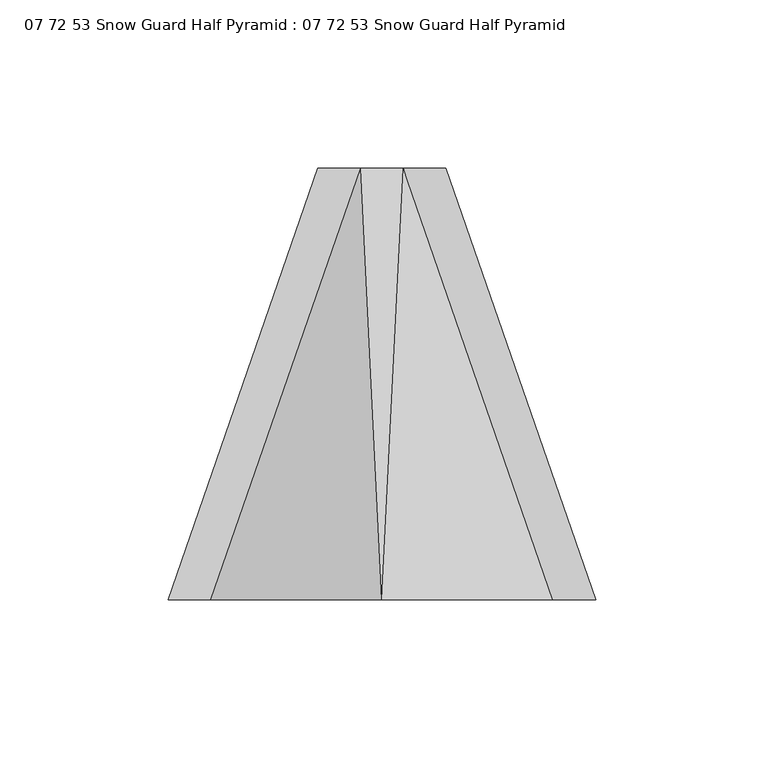
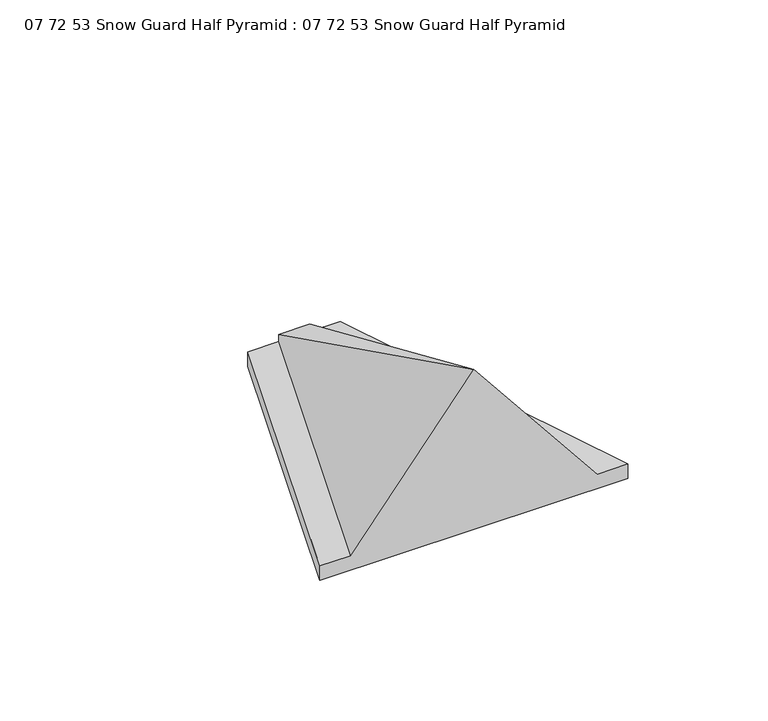
"""IFC4 building model written with IfcOpenShell, lengths in millimetres: proxy geometry, 07 72 53 Snow Guard Half Pyramid : 07 72 53 Snow Guard Half Pyramid."""

from ifc_helpers import new_model, si_unit, frame, origin, place, context, project, spatial, source, transform, mapped, element, save
from ifc_brep_helpers import plane_surface, spline_surface, advanced_brep


def proxy_07_72_53_snow_guard_half_pyramid_07_72_53_snow_guard_005cbcce(model_context):
    return source(origin(), model_context, "Body", "AdvancedBrep", [
        advanced_brep(
        [(-19.05, 128.2397625, 0.0), (-19.05, 128.2397625, 6.35), (-6.35, 128.2397625, 6.35), (-6.35, 128.2397625, 9.525), (6.35, 128.2397625, 9.525), (6.35, 128.2397625, 6.35), (19.05, 128.2397625, 6.35), (19.05, 128.2397625, 0.0), (-63.5, 0.0, 0.0), (63.5, 0.0, 0.0), (63.5, 0.0, 6.35), (50.8, 0.0, 6.35), (0.0, 0.0, 69.85), (-50.8, 0.0, 6.35), (-63.5, 0.0, 6.35)],
        [
            (0, 1),
            (1, 2),
            (2, 3),
            (3, 4),
            (4, 5),
            (5, 6),
            (6, 7),
            (7, 0),
            (8, 9),
            (9, 10),
            (10, 11),
            (11, 12),
            (12, 13),
            (13, 14),
            (14, 8),
            (8, 0),
            (7, 9),
            (6, 10),
            (5, 11),
            (4, 12),
            (3, 12),
            (2, 13),
            (1, 14),
        ],
        [
            plane_surface(frame((0.0, 128.2397625, 5.55625), z_axis=(0.0, 1.0, 0.0), x_axis=(0.0, 0.0, 1.0))),
            plane_surface(frame((0.0, 0.0, 13.6071429), z_axis=(0.0, -1.0, 0.0), x_axis=(0.0, 0.0, 1.0))),
            plane_surface(frame((0.0, 0.0, 0.0), z_axis=(0.0, 0.0, -1.0), x_axis=(1.0, 0.0, 0.0))),
            plane_surface(frame((63.5, 0.0, 3.175), z_axis=(0.9448509068357319, 0.32750078450546527, 0.0), x_axis=(0.0, 0.0, 1.0))),
            plane_surface(frame((57.15, 0.0, 6.35), z_axis=(0.0, 0.0, 1.0), x_axis=(-1.0, 0.0, 0.0))),
            spline_surface(1, 1, [[(50.8, 0.0, 6.35), (0.0, 0.0, 69.85)], [(6.35, 128.2397625, 6.35), (6.35, 128.2397625, 9.525)]], [2, 2], [2, 2], [0.0, 1.0], [0.0, 1.0]),
            plane_surface(frame((0.0, 0.0, 69.85), z_axis=(0.0, 0.42566345031952985, 0.9048815541616888), x_axis=(-1.0, 0.0, 0.0))),
            spline_surface(1, 1, [[(0.0, 0.0, 69.85), (-50.8, 0.0, 6.35)], [(-6.35, 128.2397625, 9.525), (-6.35, 128.2397625, 6.35)]], [2, 2], [2, 2], [0.0, 1.0], [0.0, 1.0]),
            plane_surface(frame((-57.15, 0.0, 6.35), z_axis=(0.0, 0.0, 1.0), x_axis=(-1.0, 0.0, 0.0))),
            plane_surface(frame((-63.5, 0.0, 3.175), z_axis=(-0.944850906835732, 0.32750078450546494, 0.0), x_axis=(0.0, 0.0, -1.0))),
        ],
        [
            (0, [[1, 2, 3, 4, 5, 6, 7, 8]]),
            (1, [[9, 10, 11, 12, 13, 14, 15]]),
            (2, [[16, -8, 17, -9]]),
            (3, [[-17, -7, 18, -10]]),
            (4, [[-18, -6, 19, -11]]),
            (5, [[-19, -5, 20, -12]]),
            (6, [[21, -20, -4]]),
            (7, [[-21, -3, 22, -13]]),
            (8, [[-22, -2, 23, -14]]),
            (9, [[-23, -1, -16, -15]]),
        ],
    ),
    ])


if __name__ == "__main__":
    model = new_model("IFC4")
    model_context = context("Model", 3, world=origin())
    ifc_project = project(units=[si_unit("LENGTHUNIT", "METRE", prefix="MILLI")], contexts=[model_context])
    site = spatial("IfcSite", under=ifc_project)
    building = spatial("IfcBuilding", under=site)
    placement = place(None, origin())
    proxy_07_72_53_snow_guard_half_pyramid_07_72_53_snow_guard_shape = proxy_07_72_53_snow_guard_half_pyramid_07_72_53_snow_guard_005cbcce(model_context)
    element("IfcBuildingElementProxy", 1, Name="07 72 53 Snow Guard Half Pyramid : 07 72 53 Snow Guard Half Pyramid", ObjectType="07 72 53 Snow Guard Half Pyramid : 07 72 53 Snow Guard Half Pyramid", at=placement, inside=building, context=model_context, shape_type="MappedRepresentation", body=[
        mapped(proxy_07_72_53_snow_guard_half_pyramid_07_72_53_snow_guard_shape, transform((0.0, 0.0, 0.0), x_axis=(1.0, 0.0, 0.0), y_axis=(0.0, 1.0, 0.0), z_axis=(0.0, 0.0, 1.0))),
    ])
    save(model, "model.ifc")
